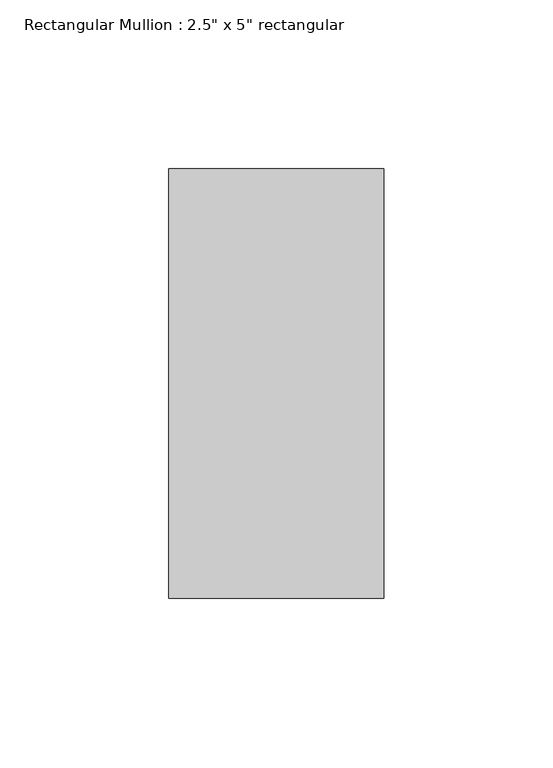
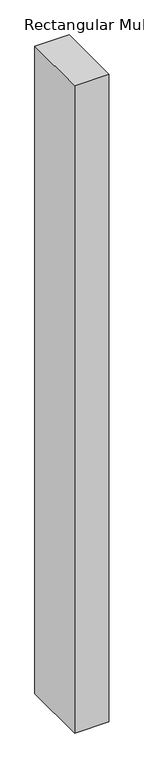
"""IFC4 building model written with IfcOpenShell, lengths in millimetres: member geometry."""

from ifc_helpers import new_model, si_unit, frame, origin, place, context, project, spatial, polyline, outline, extrude, source, transform, mapped, element, save


def member_401768c7(model_context):
    return source(origin(), model_context, "Body", "SweptSolid", [
        extrude(outline(polyline([(31.75, 63.5), (31.75, -63.5), (-31.75, -63.5), (-31.75, 63.5), (31.75, 63.5)])), frame((0.0, 0.0, -1266.3914157), z_axis=(0.0, 0.0, 1.0), x_axis=(1.0, 0.0, 0.0)), (0.0, 0.0, 1.0), 1266.3914157),
    ])


if __name__ == "__main__":
    model = new_model("IFC4")
    model_context = context("Model", 3, world=origin())
    ifc_project = project(units=[si_unit("LENGTHUNIT", "METRE", prefix="MILLI")], contexts=[model_context])
    site = spatial("IfcSite", under=ifc_project)
    building = spatial("IfcBuilding", under=site)
    placement = place(None, origin())
    member_shape = member_401768c7(model_context)
    element("IfcMember", 1, ObjectType="Rectangular Mullion : 2.5\" x 5\" rectangular", at=placement, inside=building, context=model_context, shape_type="MappedRepresentation", body=[
        mapped(member_shape, transform((0.0, 0.0, 0.0), x_axis=(1.0, 0.0, 0.0), y_axis=(0.0, 1.0, 0.0), z_axis=(0.0, 0.0, 1.0))),
    ])
    save(model, "model.ifc")
